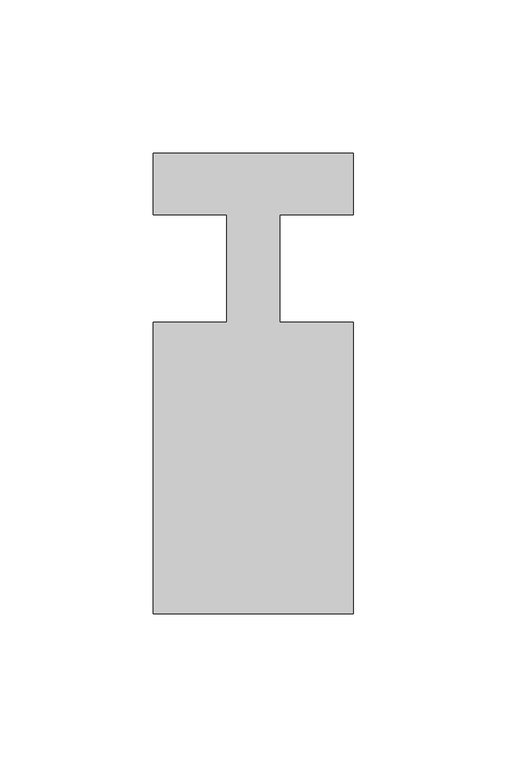
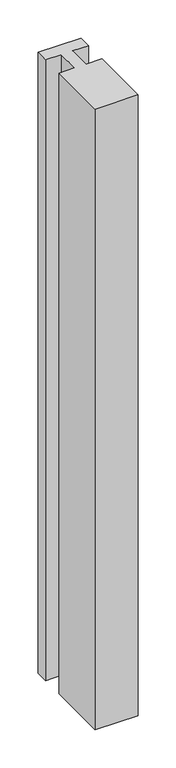
"""IFC4 building model written with IfcOpenShell, lengths in millimetres: member geometry."""

from ifc_helpers import new_model, si_unit, frame, origin, place, context, project, spatial, polyline, outline, extrude, source, transform, mapped, element, save


def member_0e29b6c4(model_context):
    return source(origin(), model_context, "Body", "SweptSolid", [
        extrude(outline(polyline([(-65.0, 37.0), (0.0, 37.0), (0.0, 17.0), (-23.8125, 17.0), (-23.8125, -18.0), (0.0, -18.0), (0.0, -113.0), (-65.0, -113.0), (-65.0, -18.0), (-41.1875, -18.0), (-41.1875, 17.0), (-65.0, 17.0), (-65.0, 37.0)])), frame((0.0, 0.0, -993.5714286), z_axis=(0.0, 0.0, 1.0), x_axis=(1.0, 0.0, 0.0)), (0.0, 0.0, 1.0), 993.5714286),
    ])


if __name__ == "__main__":
    model = new_model("IFC4")
    model_context = context("Model", 3, world=origin())
    ifc_project = project(units=[si_unit("LENGTHUNIT", "METRE", prefix="MILLI")], contexts=[model_context])
    site = spatial("IfcSite", under=ifc_project)
    building = spatial("IfcBuilding", under=site)
    placement = place(None, origin())
    member_shape = member_0e29b6c4(model_context)
    element("IfcMember", 1, at=placement, inside=building, context=model_context, shape_type="MappedRepresentation", body=[
        mapped(member_shape, transform((0.0, 0.0, 0.0), x_axis=(1.0, 0.0, 0.0), y_axis=(0.0, 1.0, 0.0), z_axis=(0.0, 0.0, 1.0))),
    ])
    save(model, "model.ifc")
